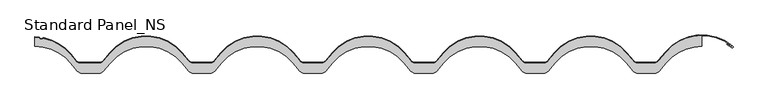
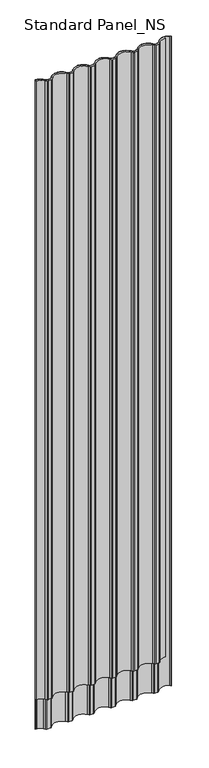
"""IFC4 building model written with IfcOpenShell, lengths in millimetres: proxy geometry, Standard Panel_NS."""

from ifc_helpers import new_model, si_unit, point, frame, frame_2d, origin, origin_with_axes, place, context, project, spatial, polyline, circle_curve, trimmed, segment, composite_curve, outline, extrude, source, transform, mapped, element, save


def standard_panel_ns_d4a7d751(model_context):
    return source(origin(), model_context, "Body", "SweptSolid", [
        extrude(outline(composite_curve([segment(trimmed(circle_curve(frame_2d((-499.9999093, -30.5757185)), 70.5757185), [point((-445.9357723, 14.7894789))], [point((-499.9999093, 40.0))], True, "CARTESIAN"), True, "CONTINUOUS"), segment(polyline([(-499.9999093, 40.0), (-499.9999093, 53.2828645)]), True, "CONTINUOUS"), segment(trimmed(circle_curve(frame_2d((-500.0, -16.7775841)), 70.0604486), [point((-499.9999093, 53.2828645))], [point((-495.2868953, 53.1241548))], False, "CARTESIAN"), True, "CONTINUOUS"), segment(trimmed(circle_curve(frame_2d((-495.5188215, 50.4050302)), 2.7289977), [point((-495.2868953, 53.1241548))], [point((-493.4260619, 52.1565397))], False, "CARTESIAN"), True, "CONTINUOUS"), segment(trimmed(circle_curve(frame_2d((-490.3061485, 54.8018214)), 4.0904004), [point((-493.4260619, 52.1565397))], [point((-488.0869852, 51.365735))], True, "CARTESIAN"), True, "CONTINUOUS"), segment(trimmed(circle_curve(frame_2d((-486.596017, 48.9689117)), 2.82272), [point((-488.0869852, 51.365735))], [point((-486.0111787, 51.7303809))], False, "CARTESIAN"), True, "CONTINUOUS"), segment(trimmed(circle_curve(frame_2d((-500.2495937, -15.5000677)), 68.7216537), [point((-486.0111787, 51.7303809))], [point((-447.2982034, 28.3042238))], False, "CARTESIAN"), True, "CONTINUOUS"), segment(trimmed(circle_curve(frame_2d((987.1713371, 1214.9760284)), 1861.6908536), [point((-447.2982034, 28.3042238))], [point((-438.9665962, 18.3042146))], True, "CARTESIAN"), True, "CONTINUOUS"), segment(trimmed(circle_curve(frame_2d((-431.8806851, 24.25)), 9.25), [point((-438.9665962, 18.3042146))], [point((-431.8806851, 15.0))], True, "CARTESIAN"), True, "CONTINUOUS"), segment(polyline([(-431.8806851, 15.0), (-403.8881753, 15.0)]), True, "CONTINUOUS"), segment(trimmed(circle_curve(frame_2d((-403.8881753, 24.25)), 9.25), [point((-403.8881753, 15.0))], [point((-396.8022642, 18.3042146))], True, "CARTESIAN"), True, "CONTINUOUS"), segment(polyline([(-396.8022642, 18.3042146), (-387.0151148, 29.9680851)]), True, "CONTINUOUS"), segment(trimmed(circle_curve(frame_2d((-333.334, -15.0757185)), 70.0757185), [point((-387.0151148, 29.9680851))], [point((-279.6528852, 29.9680851))], False, "CARTESIAN"), True, "CONTINUOUS"), segment(polyline([(-279.6528852, 29.9680851), (-269.8657358, 18.3042146)]), True, "CONTINUOUS"), segment(trimmed(circle_curve(frame_2d((-262.7798247, 24.25)), 9.25), [point((-269.8657358, 18.3042146))], [point((-262.7798247, 15.0))], True, "CARTESIAN"), True, "CONTINUOUS"), segment(polyline([(-262.7798247, 15.0), (-237.2221753, 15.0)]), True, "CONTINUOUS"), segment(trimmed(circle_curve(frame_2d((-237.2221753, 24.25)), 9.25), [point((-237.2221753, 15.0))], [point((-230.1362642, 18.3042146))], True, "CARTESIAN"), True, "CONTINUOUS"), segment(polyline([(-230.1362642, 18.3042146), (-220.3491148, 29.9680851)]), True, "CONTINUOUS"), segment(trimmed(circle_curve(frame_2d((-166.668, -15.0757185)), 70.0757185), [point((-220.3491148, 29.9680851))], [point((-112.9868852, 29.9680851))], False, "CARTESIAN"), True, "CONTINUOUS"), segment(polyline([(-112.9868852, 29.9680851), (-103.1997358, 18.3042146)]), True, "CONTINUOUS"), segment(trimmed(circle_curve(frame_2d((-96.1138247, 24.25)), 9.25), [point((-103.1997358, 18.3042146))], [point((-96.1138247, 15.0))], True, "CARTESIAN"), True, "CONTINUOUS"), segment(polyline([(-96.1138247, 15.0), (-70.5561753, 15.0)]), True, "CONTINUOUS"), segment(trimmed(circle_curve(frame_2d((-70.5561753, 24.25)), 9.25), [point((-70.5561753, 15.0))], [point((-63.4702642, 18.3042146))], True, "CARTESIAN"), True, "CONTINUOUS"), segment(polyline([(-63.4702642, 18.3042146), (-53.6831148, 29.9680851)]), True, "CONTINUOUS"), segment(trimmed(circle_curve(frame_2d((-0.002, -15.0757185)), 70.0757185), [point((-53.6831148, 29.9680851))], [point((53.6791148, 29.9680851))], False, "CARTESIAN"), True, "CONTINUOUS"), segment(polyline([(53.6791148, 29.9680851), (63.4662642, 18.3042146)]), True, "CONTINUOUS"), segment(trimmed(circle_curve(frame_2d((70.5521753, 24.25)), 9.25), [point((63.4662642, 18.3042146))], [point((70.5521753, 15.0))], True, "CARTESIAN"), True, "CONTINUOUS"), segment(polyline([(70.5521753, 15.0), (96.1098247, 15.0)]), True, "CONTINUOUS"), segment(trimmed(circle_curve(frame_2d((96.1098247, 24.25)), 9.25), [point((96.1098247, 15.0))], [point((103.1957358, 18.3042146))], True, "CARTESIAN"), True, "CONTINUOUS"), segment(polyline([(103.1957358, 18.3042146), (112.9828852, 29.9680851)]), True, "CONTINUOUS"), segment(trimmed(circle_curve(frame_2d((166.664, -15.0757185)), 70.0757185), [point((112.9828852, 29.9680851))], [point((220.3451148, 29.9680851))], False, "CARTESIAN"), True, "CONTINUOUS"), segment(polyline([(220.3451148, 29.9680851), (230.1322642, 18.3042146)]), True, "CONTINUOUS"), segment(trimmed(circle_curve(frame_2d((237.2181753, 24.25)), 9.25), [point((230.1322642, 18.3042146))], [point((237.2181753, 15.0))], True, "CARTESIAN"), True, "CONTINUOUS"), segment(polyline([(237.2181753, 15.0), (262.7758247, 15.0)]), True, "CONTINUOUS"), segment(trimmed(circle_curve(frame_2d((262.7758247, 24.25)), 9.25), [point((262.7758247, 15.0))], [point((269.8617358, 18.3042146))], True, "CARTESIAN"), True, "CONTINUOUS"), segment(polyline([(269.8617358, 18.3042146), (279.6488852, 29.9680851)]), True, "CONTINUOUS"), segment(trimmed(circle_curve(frame_2d((333.33, -15.0757185)), 70.0757185), [point((279.6488852, 29.9680851))], [point((387.0111148, 29.9680851))], False, "CARTESIAN"), True, "CONTINUOUS"), segment(polyline([(387.0111148, 29.9680851), (396.7982642, 18.3042146)]), True, "CONTINUOUS"), segment(trimmed(circle_curve(frame_2d((403.8841753, 24.25)), 9.25), [point((396.7982642, 18.3042146))], [point((403.8841753, 15.0))], True, "CARTESIAN"), True, "CONTINUOUS"), segment(polyline([(403.8841753, 15.0), (427.9886198, 15.0)]), True, "CONTINUOUS"), segment(trimmed(circle_curve(frame_2d((427.9886198, 24.5546837)), 9.5546837), [point((427.9886198, 15.0))], [point((435.3078488, 18.412952))], True, "CARTESIAN"), True, "CONTINUOUS"), segment(polyline([(435.3078488, 18.412952), (446.3159032, 31.5314785)]), True, "CONTINUOUS"), segment(trimmed(circle_curve(frame_2d((499.996521, -13.5131508)), 70.0758685), [point((446.3159032, 31.5314785))], [point((499.9999093, 56.5627177))], False, "CARTESIAN"), True, "CONTINUOUS"), segment(polyline([(499.9999093, 56.5627177), (499.9999093, 39.9999999)]), True, "CONTINUOUS"), segment(trimmed(circle_curve(frame_2d((499.9967507, -30.5757185)), 70.5757185), [point((499.9999093, 39.9999999))], [point((445.9341201, 14.7912741))], True, "CARTESIAN"), True, "CONTINUOUS"), segment(polyline([(445.9341201, 14.7912741), (436.2053545, 3.1977644)]), True, "CONTINUOUS"), segment(trimmed(circle_curve(frame_2d((429.4425754, 8.75)), 8.75), [point((436.2053545, 3.1977644))], [point((429.4425754, 0.0))], False, "CARTESIAN"), True, "CONTINUOUS"), segment(polyline([(429.4425754, 0.0), (403.884266, 0.0)]), True, "CONTINUOUS"), segment(trimmed(circle_curve(frame_2d((403.884266, 8.75)), 8.75), [point((403.884266, 0.0))], [point((397.1813771, 3.1256084))], False, "CARTESIAN"), True, "CONTINUOUS"), segment(polyline([(397.1813771, 3.1256084), (387.3942277, 14.7894789)]), True, "CONTINUOUS"), segment(trimmed(circle_curve(frame_2d((333.3300907, -30.5757185)), 70.5757185), [point((387.3942277, 14.7894789))], [point((279.2659537, 14.7894789))], True, "CARTESIAN"), True, "CONTINUOUS"), segment(polyline([(279.2659537, 14.7894789), (269.4788043, 3.1256084)]), True, "CONTINUOUS"), segment(trimmed(circle_curve(frame_2d((262.7759154, 8.75)), 8.75), [point((269.4788043, 3.1256084))], [point((262.7759154, 0.0))], False, "CARTESIAN"), True, "CONTINUOUS"), segment(polyline([(262.7759154, 0.0), (237.218266, 0.0)]), True, "CONTINUOUS"), segment(trimmed(circle_curve(frame_2d((237.218266, 8.75)), 8.75), [point((237.218266, 0.0))], [point((230.5153771, 3.1256084))], False, "CARTESIAN"), True, "CONTINUOUS"), segment(polyline([(230.5153771, 3.1256084), (220.7282277, 14.7894789)]), True, "CONTINUOUS"), segment(trimmed(circle_curve(frame_2d((166.6640907, -30.5757185)), 70.5757185), [point((220.7282277, 14.7894789))], [point((112.5999537, 14.7894789))], True, "CARTESIAN"), True, "CONTINUOUS"), segment(polyline([(112.5999537, 14.7894789), (102.8128043, 3.1256084)]), True, "CONTINUOUS"), segment(trimmed(circle_curve(frame_2d((96.1099154, 8.75)), 8.75), [point((102.8128043, 3.1256084))], [point((96.1099154, 0.0))], False, "CARTESIAN"), True, "CONTINUOUS"), segment(polyline([(96.1099154, 0.0), (70.552266, 0.0)]), True, "CONTINUOUS"), segment(trimmed(circle_curve(frame_2d((70.552266, 8.75)), 8.75), [point((70.552266, 0.0))], [point((63.8493771, 3.1256084))], False, "CARTESIAN"), True, "CONTINUOUS"), segment(polyline([(63.8493771, 3.1256084), (54.0622277, 14.7894789)]), True, "CONTINUOUS"), segment(trimmed(circle_curve(frame_2d((-0.0019093, -30.5757185)), 70.5757185), [point((54.0622277, 14.7894789))], [point((-54.0660463, 14.7894789))], True, "CARTESIAN"), True, "CONTINUOUS"), segment(polyline([(-54.0660463, 14.7894789), (-63.8531957, 3.1256084)]), True, "CONTINUOUS"), segment(trimmed(circle_curve(frame_2d((-70.5560846, 8.75)), 8.75), [point((-63.8531957, 3.1256084))], [point((-70.5560846, 0.0))], False, "CARTESIAN"), True, "CONTINUOUS"), segment(polyline([(-70.5560846, 0.0), (-96.113734, 0.0)]), True, "CONTINUOUS"), segment(trimmed(circle_curve(frame_2d((-96.113734, 8.75)), 8.75), [point((-96.113734, 0.0))], [point((-102.8166229, 3.1256084))], False, "CARTESIAN"), True, "CONTINUOUS"), segment(polyline([(-102.8166229, 3.1256084), (-112.6037723, 14.7894789)]), True, "CONTINUOUS"), segment(trimmed(circle_curve(frame_2d((-166.6679093, -30.5757185)), 70.5757185), [point((-112.6037723, 14.7894789))], [point((-220.7320463, 14.7894789))], True, "CARTESIAN"), True, "CONTINUOUS"), segment(polyline([(-220.7320463, 14.7894789), (-230.5191957, 3.1256084)]), True, "CONTINUOUS"), segment(trimmed(circle_curve(frame_2d((-237.2220846, 8.75)), 8.75), [point((-230.5191957, 3.1256084))], [point((-237.2220846, 0.0))], False, "CARTESIAN"), True, "CONTINUOUS"), segment(polyline([(-237.2220846, 0.0), (-262.779734, 0.0)]), True, "CONTINUOUS"), segment(trimmed(circle_curve(frame_2d((-262.779734, 8.75)), 8.75), [point((-262.779734, 0.0))], [point((-269.4826229, 3.1256084))], False, "CARTESIAN"), True, "CONTINUOUS"), segment(polyline([(-269.4826229, 3.1256084), (-279.2697723, 14.7894789)]), True, "CONTINUOUS"), segment(trimmed(circle_curve(frame_2d((-333.3339093, -30.5757185)), 70.5757185), [point((-279.2697723, 14.7894789))], [point((-387.3980463, 14.7894789))], True, "CARTESIAN"), True, "CONTINUOUS"), segment(polyline([(-387.3980463, 14.7894789), (-397.1851957, 3.1256084)]), True, "CONTINUOUS"), segment(trimmed(circle_curve(frame_2d((-403.8880846, 8.75)), 8.75), [point((-397.1851957, 3.1256084))], [point((-403.8880846, 0.0))], False, "CARTESIAN"), True, "CONTINUOUS"), segment(polyline([(-403.8880846, 0.0), (-429.445734, 0.0)]), True, "CONTINUOUS"), segment(trimmed(circle_curve(frame_2d((-429.445734, 8.75)), 8.75), [point((-429.445734, 0.0))], [point((-436.1486229, 3.1256084))], False, "CARTESIAN"), True, "CONTINUOUS"), segment(polyline([(-436.1486229, 3.1256084), (-445.9357723, 14.7894789)]), True, "CONTINUOUS")], self_intersect=False)), origin_with_axes(), (0.0, 0.0, 1.0), 5055.937104),
        extrude(outline(composite_curve([segment(trimmed(circle_curve(frame_2d((-500.0, -16.7775841)), 70.0604486), [point((-495.2868953, 53.1241548))], [point((-500.0, 53.2828645))], True, "CARTESIAN"), True, "CONTINUOUS"), segment(polyline([(-500.0, 53.2828645), (-500.0, 54.2829649)]), True, "CONTINUOUS"), segment(trimmed(circle_curve(frame_2d((-500.0, -16.7771098)), 71.0600747), [point((-500.0, 54.2829649))], [point((-495.2112026, 54.1214208))], False, "CARTESIAN"), True, "CONTINUOUS"), segment(trimmed(circle_curve(frame_2d((-495.5123422, 50.4045238)), 3.7290761), [point((-495.2112026, 54.1214208))], [point((-492.6656061, 52.8132791))], False, "CARTESIAN"), True, "CONTINUOUS"), segment(trimmed(circle_curve(frame_2d((-490.303811, 54.8033042)), 3.08841), [point((-492.6656061, 52.8132791))], [point((-488.6436121, 52.1990738))], True, "CARTESIAN"), True, "CONTINUOUS"), segment(trimmed(circle_curve(frame_2d((-486.6092664, 49.0295873)), 3.7661926), [point((-488.6436121, 52.1990738))], [point((-485.803989, 52.7086817))], False, "CARTESIAN"), True, "CONTINUOUS"), segment(trimmed(circle_curve(frame_2d((-500.2495937, -15.5000677)), 69.7216537), [point((-485.803989, 52.7086817))], [point((-446.5276837, 28.9416399))], False, "CARTESIAN"), True, "CONTINUOUS"), segment(trimmed(circle_curve(frame_2d((987.1713371, 1214.9760284)), 1860.6908536), [point((-446.5276837, 28.9416399))], [point((-438.2005517, 18.9470022))], True, "CARTESIAN"), True, "CONTINUOUS"), segment(trimmed(circle_curve(frame_2d((-431.8806851, 24.25)), 8.25), [point((-438.2005517, 18.9470022))], [point((-431.8806851, 16.0))], True, "CARTESIAN"), True, "CONTINUOUS"), segment(polyline([(-431.8806851, 16.0), (-403.8881753, 16.0)]), True, "CONTINUOUS"), segment(trimmed(circle_curve(frame_2d((-403.8881753, 24.25)), 8.25), [point((-403.8881753, 16.0))], [point((-397.5683086, 18.9470022))], True, "CARTESIAN"), True, "CONTINUOUS"), segment(polyline([(-397.5683086, 18.9470022), (-387.7811592, 30.6108727)]), True, "CONTINUOUS"), segment(trimmed(circle_curve(frame_2d((-333.334, -15.0757185)), 71.0757185), [point((-387.7811592, 30.6108727))], [point((-278.8868408, 30.6108727))], False, "CARTESIAN"), True, "CONTINUOUS"), segment(polyline([(-278.8868408, 30.6108727), (-269.0996914, 18.9470022)]), True, "CONTINUOUS"), segment(trimmed(circle_curve(frame_2d((-262.7798247, 24.25)), 8.25), [point((-269.0996914, 18.9470022))], [point((-262.7798247, 16.0))], True, "CARTESIAN"), True, "CONTINUOUS"), segment(polyline([(-262.7798247, 16.0), (-237.2221753, 16.0)]), True, "CONTINUOUS"), segment(trimmed(circle_curve(frame_2d((-237.2221753, 24.25)), 8.25), [point((-237.2221753, 16.0))], [point((-230.9023086, 18.9470022))], True, "CARTESIAN"), True, "CONTINUOUS"), segment(polyline([(-230.9023086, 18.9470022), (-221.1151592, 30.6108727)]), True, "CONTINUOUS"), segment(trimmed(circle_curve(frame_2d((-166.668, -15.0757185)), 71.0757185), [point((-221.1151592, 30.6108727))], [point((-112.2208408, 30.6108727))], False, "CARTESIAN"), True, "CONTINUOUS"), segment(polyline([(-112.2208408, 30.6108727), (-102.4336914, 18.9470022)]), True, "CONTINUOUS"), segment(trimmed(circle_curve(frame_2d((-96.1138247, 24.25)), 8.25), [point((-102.4336914, 18.9470022))], [point((-96.1138247, 16.0))], True, "CARTESIAN"), True, "CONTINUOUS"), segment(polyline([(-96.1138247, 16.0), (-70.5561753, 16.0)]), True, "CONTINUOUS"), segment(trimmed(circle_curve(frame_2d((-70.5561753, 24.25)), 8.25), [point((-70.5561753, 16.0))], [point((-64.2363086, 18.9470022))], True, "CARTESIAN"), True, "CONTINUOUS"), segment(polyline([(-64.2363086, 18.9470022), (-54.4491592, 30.6108727)]), True, "CONTINUOUS"), segment(trimmed(circle_curve(frame_2d((-0.002, -15.0757185)), 71.0757185), [point((-54.4491592, 30.6108727))], [point((54.4451592, 30.6108727))], False, "CARTESIAN"), True, "CONTINUOUS"), segment(polyline([(54.4451592, 30.6108727), (64.2323086, 18.9470022)]), True, "CONTINUOUS"), segment(trimmed(circle_curve(frame_2d((70.5521753, 24.25)), 8.25), [point((64.2323086, 18.9470022))], [point((70.5521753, 16.0))], True, "CARTESIAN"), True, "CONTINUOUS"), segment(polyline([(70.5521753, 16.0), (96.1098247, 16.0)]), True, "CONTINUOUS"), segment(trimmed(circle_curve(frame_2d((96.1098247, 24.25)), 8.25), [point((96.1098247, 16.0))], [point((102.4296914, 18.9470022))], True, "CARTESIAN"), True, "CONTINUOUS"), segment(polyline([(102.4296914, 18.9470022), (112.2168408, 30.6108727)]), True, "CONTINUOUS"), segment(trimmed(circle_curve(frame_2d((166.664, -15.0757185)), 71.0757185), [point((112.2168408, 30.6108727))], [point((221.1111592, 30.6108727))], False, "CARTESIAN"), True, "CONTINUOUS"), segment(polyline([(221.1111592, 30.6108727), (230.8983086, 18.9470022)]), True, "CONTINUOUS"), segment(trimmed(circle_curve(frame_2d((237.2181753, 24.25)), 8.25), [point((230.8983086, 18.9470022))], [point((237.2181753, 16.0))], True, "CARTESIAN"), True, "CONTINUOUS"), segment(polyline([(237.2181753, 16.0), (262.7758247, 16.0)]), True, "CONTINUOUS"), segment(trimmed(circle_curve(frame_2d((262.7758247, 24.25)), 8.25), [point((262.7758247, 16.0))], [point((269.0956914, 18.9470022))], True, "CARTESIAN"), True, "CONTINUOUS"), segment(polyline([(269.0956914, 18.9470022), (278.8828408, 30.6108727)]), True, "CONTINUOUS"), segment(trimmed(circle_curve(frame_2d((333.33, -15.0757185)), 71.0757185), [point((278.8828408, 30.6108727))], [point((387.7771592, 30.6108727))], False, "CARTESIAN"), True, "CONTINUOUS"), segment(polyline([(387.7771592, 30.6108727), (397.5643086, 18.9470022)]), True, "CONTINUOUS"), segment(trimmed(circle_curve(frame_2d((403.8841753, 24.25)), 8.25), [point((397.5643086, 18.9470022))], [point((403.8841753, 16.0))], True, "CARTESIAN"), True, "CONTINUOUS"), segment(polyline([(403.8841753, 16.0), (427.9886198, 16.0)]), True, "CONTINUOUS"), segment(trimmed(circle_curve(frame_2d((427.9886198, 24.5546837)), 8.5546837), [point((427.9886198, 16.0))], [point((434.541813, 19.05575))], True, "CARTESIAN"), True, "CONTINUOUS"), segment(polyline([(434.541813, 19.05575), (445.5498675, 32.1742765)]), True, "CONTINUOUS"), segment(trimmed(circle_curve(frame_2d((499.996521, -13.5131508)), 71.0758685), [point((445.5498675, 32.1742765))], [point((546.4302848, 40.2984155))], False, "CARTESIAN"), True, "CONTINUOUS"), segment(trimmed(circle_curve(frame_2d((545.510792, 39.3124043)), 1.3482155), [point((546.4302848, 40.2984155))], [point((544.6709926, 38.2576901))], False, "CARTESIAN"), True, "CONTINUOUS"), segment(polyline([(544.6709926, 38.2576901), (537.1924344, 43.4663257), (537.7639543, 44.2869139), (545.2774084, 39.0539742)]), True, "CONTINUOUS"), segment(trimmed(circle_curve(frame_2d((545.510792, 39.3124043)), 0.3482155), [point((545.2774084, 39.0539742))], [point((545.7576616, 39.5579841))], True, "CARTESIAN"), True, "CONTINUOUS"), segment(trimmed(circle_curve(frame_2d((499.996521, -13.5131508)), 70.0758685), [point((545.7576616, 39.5579841))], [point((446.3159032, 31.5314785))], True, "CARTESIAN"), True, "CONTINUOUS"), segment(polyline([(446.3159032, 31.5314785), (435.3078488, 18.412952)]), True, "CONTINUOUS"), segment(trimmed(circle_curve(frame_2d((427.9886198, 24.5546837)), 9.5546837), [point((435.3078488, 18.412952))], [point((427.9886198, 15.0))], False, "CARTESIAN"), True, "CONTINUOUS"), segment(polyline([(427.9886198, 15.0), (403.8841753, 15.0)]), True, "CONTINUOUS"), segment(trimmed(circle_curve(frame_2d((403.8841753, 24.25)), 9.25), [point((403.8841753, 15.0))], [point((396.7982642, 18.3042146))], False, "CARTESIAN"), True, "CONTINUOUS"), segment(polyline([(396.7982642, 18.3042146), (387.0111148, 29.9680851)]), True, "CONTINUOUS"), segment(trimmed(circle_curve(frame_2d((333.33, -15.0757185)), 70.0757185), [point((387.0111148, 29.9680851))], [point((279.6488852, 29.9680851))], True, "CARTESIAN"), True, "CONTINUOUS"), segment(polyline([(279.6488852, 29.9680851), (269.8617358, 18.3042146)]), True, "CONTINUOUS"), segment(trimmed(circle_curve(frame_2d((262.7758247, 24.25)), 9.25), [point((269.8617358, 18.3042146))], [point((262.7758247, 15.0))], False, "CARTESIAN"), True, "CONTINUOUS"), segment(polyline([(262.7758247, 15.0), (237.2181753, 15.0)]), True, "CONTINUOUS"), segment(trimmed(circle_curve(frame_2d((237.2181753, 24.25)), 9.25), [point((237.2181753, 15.0))], [point((230.1322642, 18.3042146))], False, "CARTESIAN"), True, "CONTINUOUS"), segment(polyline([(230.1322642, 18.3042146), (220.3451148, 29.9680851)]), True, "CONTINUOUS"), segment(trimmed(circle_curve(frame_2d((166.664, -15.0757185)), 70.0757185), [point((220.3451148, 29.9680851))], [point((112.9828852, 29.9680851))], True, "CARTESIAN"), True, "CONTINUOUS"), segment(polyline([(112.9828852, 29.9680851), (103.1957358, 18.3042146)]), True, "CONTINUOUS"), segment(trimmed(circle_curve(frame_2d((96.1098247, 24.25)), 9.25), [point((103.1957358, 18.3042146))], [point((96.1098247, 15.0))], False, "CARTESIAN"), True, "CONTINUOUS"), segment(polyline([(96.1098247, 15.0), (70.5521753, 15.0)]), True, "CONTINUOUS"), segment(trimmed(circle_curve(frame_2d((70.5521753, 24.25)), 9.25), [point((70.5521753, 15.0))], [point((63.4662642, 18.3042146))], False, "CARTESIAN"), True, "CONTINUOUS"), segment(polyline([(63.4662642, 18.3042146), (53.6791148, 29.9680851)]), True, "CONTINUOUS"), segment(trimmed(circle_curve(frame_2d((-0.002, -15.0757185)), 70.0757185), [point((53.6791148, 29.9680851))], [point((-53.6831148, 29.9680851))], True, "CARTESIAN"), True, "CONTINUOUS"), segment(polyline([(-53.6831148, 29.9680851), (-63.4702642, 18.3042146)]), True, "CONTINUOUS"), segment(trimmed(circle_curve(frame_2d((-70.5561753, 24.25)), 9.25), [point((-63.4702642, 18.3042146))], [point((-70.5561753, 15.0))], False, "CARTESIAN"), True, "CONTINUOUS"), segment(polyline([(-70.5561753, 15.0), (-96.1138247, 15.0)]), True, "CONTINUOUS"), segment(trimmed(circle_curve(frame_2d((-96.1138247, 24.25)), 9.25), [point((-96.1138247, 15.0))], [point((-103.1997358, 18.3042146))], False, "CARTESIAN"), True, "CONTINUOUS"), segment(polyline([(-103.1997358, 18.3042146), (-112.9868852, 29.9680851)]), True, "CONTINUOUS"), segment(trimmed(circle_curve(frame_2d((-166.668, -15.0757185)), 70.0757185), [point((-112.9868852, 29.9680851))], [point((-220.3491148, 29.9680851))], True, "CARTESIAN"), True, "CONTINUOUS"), segment(polyline([(-220.3491148, 29.9680851), (-230.1362642, 18.3042146)]), True, "CONTINUOUS"), segment(trimmed(circle_curve(frame_2d((-237.2221753, 24.25)), 9.25), [point((-230.1362642, 18.3042146))], [point((-237.2221753, 15.0))], False, "CARTESIAN"), True, "CONTINUOUS"), segment(polyline([(-237.2221753, 15.0), (-262.7798247, 15.0)]), True, "CONTINUOUS"), segment(trimmed(circle_curve(frame_2d((-262.7798247, 24.25)), 9.25), [point((-262.7798247, 15.0))], [point((-269.8657358, 18.3042146))], False, "CARTESIAN"), True, "CONTINUOUS"), segment(polyline([(-269.8657358, 18.3042146), (-279.6528852, 29.9680851)]), True, "CONTINUOUS"), segment(trimmed(circle_curve(frame_2d((-333.334, -15.0757185)), 70.0757185), [point((-279.6528852, 29.9680851))], [point((-387.0151148, 29.9680851))], True, "CARTESIAN"), True, "CONTINUOUS"), segment(polyline([(-387.0151148, 29.9680851), (-396.8022642, 18.3042146)]), True, "CONTINUOUS"), segment(trimmed(circle_curve(frame_2d((-403.8881753, 24.25)), 9.25), [point((-396.8022642, 18.3042146))], [point((-403.8881753, 15.0))], False, "CARTESIAN"), True, "CONTINUOUS"), segment(polyline([(-403.8881753, 15.0), (-431.8806851, 15.0)]), True, "CONTINUOUS"), segment(trimmed(circle_curve(frame_2d((-431.8806851, 24.25)), 9.25), [point((-431.8806851, 15.0))], [point((-438.9665962, 18.3042146))], False, "CARTESIAN"), True, "CONTINUOUS"), segment(trimmed(circle_curve(frame_2d((987.1713371, 1214.9760284)), 1861.6908536), [point((-438.9665962, 18.3042146))], [point((-447.2982034, 28.3042238))], False, "CARTESIAN"), True, "CONTINUOUS"), segment(trimmed(circle_curve(frame_2d((-500.2495937, -15.5000677)), 68.7216537), [point((-447.2982034, 28.3042238))], [point((-486.0111787, 51.7303809))], True, "CARTESIAN"), True, "CONTINUOUS"), segment(trimmed(circle_curve(frame_2d((-486.596017, 48.9689117)), 2.82272), [point((-486.0111787, 51.7303809))], [point((-488.0869852, 51.365735))], True, "CARTESIAN"), True, "CONTINUOUS"), segment(trimmed(circle_curve(frame_2d((-490.3061485, 54.8018214)), 4.0904004), [point((-488.0869852, 51.365735))], [point((-493.4260619, 52.1565397))], False, "CARTESIAN"), True, "CONTINUOUS"), segment(trimmed(circle_curve(frame_2d((-495.5188215, 50.4050302)), 2.7289977), [point((-493.4260619, 52.1565397))], [point((-495.2868953, 53.1241548))], True, "CARTESIAN"), True, "CONTINUOUS")], self_intersect=False)), frame((0.0, 0.0, -250.0), z_axis=(0.0, 0.0, 1.0), x_axis=(1.0, 0.0, 0.0)), (0.0, 0.0, 1.0), 5305.937104),
    ])


if __name__ == "__main__":
    model = new_model("IFC4")
    model_context = context("Model", 3, world=origin())
    ifc_project = project(units=[si_unit("LENGTHUNIT", "METRE", prefix="MILLI")], contexts=[model_context])
    site = spatial("IfcSite", under=ifc_project)
    building = spatial("IfcBuilding", under=site)
    placement = place(None, origin())
    standard_panel_ns_shape = standard_panel_ns_d4a7d751(model_context)
    element("IfcBuildingElementProxy", 1, Name="Standard Panel_NS", ObjectType="Standard Panel_NS", at=placement, inside=building, context=model_context, shape_type="MappedRepresentation", body=[
        mapped(standard_panel_ns_shape, transform((0.0, 0.0, 0.0), x_axis=(1.0, 0.0, 0.0), y_axis=(0.0, 1.0, 0.0), z_axis=(0.0, 0.0, 1.0))),
    ])
    save(model, "model.ifc")
